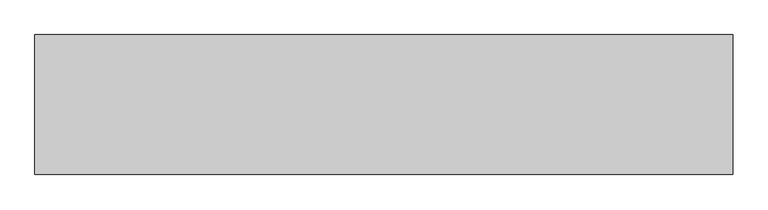
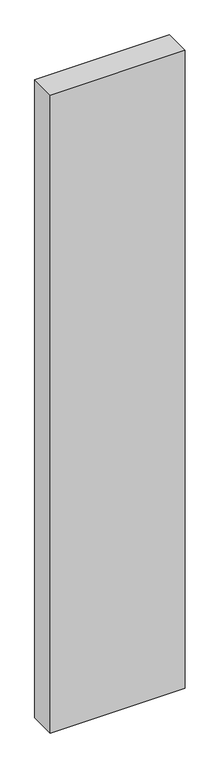
"""IFC4 building model written with IfcOpenShell, lengths in millimetres: proxy geometry."""

from ifc_helpers import new_model, si_unit, origin, origin_with_axes, place, context, project, spatial, polyline, outline, extrude, source, transform, mapped, element, save


def generic_models_b5c3a25d(model_context):
    return source(origin(), model_context, "Body", "SweptSolid", [
        extrude(outline(polyline([(1000.0, 200.0), (1000.0, 0.0), (0.0, 0.0), (0.0, 200.0), (1000.0, 200.0)])), origin_with_axes(), (0.0, 0.0, 1.0), 5000.0),
    ])


if __name__ == "__main__":
    model = new_model("IFC4")
    model_context = context("Model", 3, world=origin())
    ifc_project = project(units=[si_unit("LENGTHUNIT", "METRE", prefix="MILLI")], contexts=[model_context])
    site = spatial("IfcSite", under=ifc_project)
    building = spatial("IfcBuilding", under=site)
    placement = place(None, origin())
    generic_models_shape = generic_models_b5c3a25d(model_context)
    element("IfcBuildingElementProxy", 1, Name="Generic Models", at=placement, inside=building, context=model_context, shape_type="MappedRepresentation", body=[
        mapped(generic_models_shape, transform((0.0, 0.0, 0.0), x_axis=(1.0, 0.0, 0.0), y_axis=(0.0, 1.0, 0.0), z_axis=(0.0, 0.0, 1.0))),
    ])
    save(model, "model.ifc")
